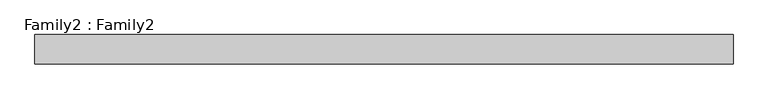
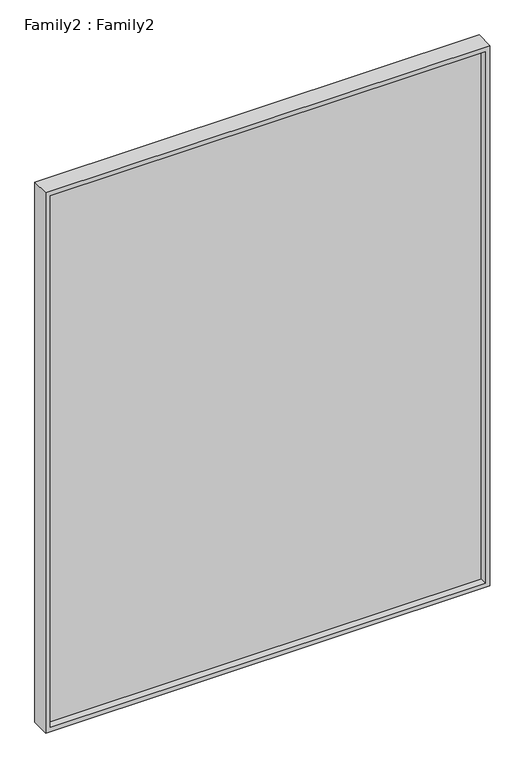
"""IFC4 building model written with IfcOpenShell, lengths in millimetres: plate geometry, Family2 : Family2."""

import ifcopenshell
import ifcopenshell.guid

model = None  # the IFC model being written
_history = None  # IfcOwnerHistory: only IFC2X3 demands one
_inside = {}  # id of a spatial element -> (the spatial element, [elements in it])
_under = {}  # id of a project, library or spatial element -> (it, [spatial elements below it])
_declared = {}  # id of a project -> (the project, [libraries it declares])
_typed = {}  # id of a type object -> (the type object, [elements of that type])
_made_of = {}  # id of a material, layer set ... -> (it, [elements and type objects made of it])


def new_model(schema):
    """Start an empty IFC model of exactly this schema.

    Asked for "IFC4X3", IfcOpenShell would pick the latest addendum, in which some entities
    have other attributes; the version numbers below select the first issue.
    IFC2X3 requires an IfcOwnerHistory on every rooted entity: one is made here for all.
    """
    global model, _history
    if schema == "IFC4X3":
        model = ifcopenshell.file(schema_version=(4, 3, 0, 0))
    else:
        model = ifcopenshell.file(schema=schema)
    _inside.clear()
    _under.clear()
    _declared.clear()
    _typed.clear()
    _made_of.clear()
    _history = None
    if model.schema == "IFC2X3":
        org = make("IfcOrganization", Name="unknown")
        user = make(
            "IfcPersonAndOrganization",
            ThePerson=make("IfcPerson", FamilyName="unknown"),
            TheOrganization=org,
        )
        app = make(
            "IfcApplication",
            ApplicationDeveloper=org,
            Version="unknown",
            ApplicationFullName="unknown",
            ApplicationIdentifier="unknown",
        )
        _history = make(
            "IfcOwnerHistory",
            OwningUser=user,
            OwningApplication=app,
            ChangeAction="ADDED",
            CreationDate=0,
        )
    return model


def make(cls, **values):
    """One entity of the class cls with the attributes given. An attribute that is None is left unset."""
    return model.create_entity(
        cls, **{name: value for name, value in values.items() if value is not None}
    )


def rooted(cls, **values):
    """An entity with a GlobalId (a new one), such as an element, a storey or a relation."""
    return make(cls, GlobalId=ifcopenshell.guid.new(), OwnerHistory=_history, **values)


def si_unit(unit_type, name, prefix=None):
    """IfcSIUnit, for example si_unit("LENGTHUNIT", "METRE", prefix="MILLI")."""
    return make("IfcSIUnit", UnitType=unit_type, Prefix=prefix, Name=name)


def assignment(units):
    """IfcUnitAssignment: the units of a project."""
    return None if units is None else make("IfcUnitAssignment", Units=units)


def point(xyz):
    """IfcCartesianPoint."""
    return None if xyz is None else make("IfcCartesianPoint", Coordinates=xyz)


def direction(xyz):
    """IfcDirection."""
    return None if xyz is None else make("IfcDirection", DirectionRatios=xyz)


def frame(location, z_axis=None, x_axis=None):
    """IfcAxis2Placement3D, a coordinate frame: its origin and axes. An axis left out is left unset."""
    return make(
        "IfcAxis2Placement3D",
        Location=point(location),
        Axis=direction(z_axis),
        RefDirection=direction(x_axis),
    )


def origin():
    """The frame at (0, 0, 0) with its axes left unset."""
    return frame((0.0, 0.0, 0.0))


def place(relative_to, where):
    """IfcLocalPlacement: puts the frame where relative to a parent placement (None: the world)."""
    return make(
        "IfcLocalPlacement", PlacementRelTo=relative_to, RelativePlacement=where
    )


def context(
    kind, dimensions, precision=None, world=None, true_north=None, identifier=None
):
    """IfcGeometricRepresentationContext, for example the 3D "Model" context."""
    return make(
        "IfcGeometricRepresentationContext",
        ContextIdentifier=identifier,
        ContextType=kind,
        CoordinateSpaceDimension=dimensions,
        Precision=precision,
        WorldCoordinateSystem=world,
        TrueNorth=true_north,
    )


def project(units=None, contexts=None):
    """IfcProject with its units and contexts."""
    return rooted(
        "IfcProject",
        Name="project",
        RepresentationContexts=contexts,
        UnitsInContext=assignment(units),
    )


def spatial(cls, under=None, at=None, **own):
    """A site, building, storey or space (cls), placed at a placement, below another one or the project."""
    s = rooted(cls, ObjectPlacement=at, **own)
    if under is not None:
        _under.setdefault(under.id(), (under, []))[1].append(s)
    return s


def polyline(points):
    """IfcPolyline through the points."""
    return make("IfcPolyline", Points=[point(p) for p in points])


def outline(outer, holes=None, kind="AREA"):
    """IfcArbitraryClosedProfileDef: a profile drawn as a closed curve; with holes, ...WithVoids."""
    if holes is None:
        return make("IfcArbitraryClosedProfileDef", ProfileType=kind, OuterCurve=outer)
    return make(
        "IfcArbitraryProfileDefWithVoids",
        ProfileType=kind,
        OuterCurve=outer,
        InnerCurves=holes,
    )


def extrude(swept, where, along, depth):
    """IfcExtrudedAreaSolid: the profile swept, set in the frame where, extruded along a direction by depth."""
    return make(
        "IfcExtrudedAreaSolid",
        SweptArea=swept,
        Position=where,
        ExtrudedDirection=direction(along),
        Depth=depth,
    )


def shape(context_of_items, identifier, shape_type, items):
    """IfcShapeRepresentation: the items that make up one representation, for example the "Body"."""
    return make(
        "IfcShapeRepresentation",
        ContextOfItems=context_of_items,
        RepresentationIdentifier=identifier,
        RepresentationType=shape_type,
        Items=items,
    )


def source(mapping_origin, context_of_items, identifier, shape_type, items):
    """IfcRepresentationMap: a shape defined once, which mapped items show again and again."""
    return make(
        "IfcRepresentationMap",
        MappingOrigin=mapping_origin,
        MappedRepresentation=shape(context_of_items, identifier, shape_type, items),
    )


def transform(
    local_origin,
    x_axis=None,
    y_axis=None,
    z_axis=None,
    scale=None,
    scale2=None,
    scale3=None,
    uniform=True,
):
    """IfcCartesianTransformationOperator3D, or its non-uniform kind. x_axis, y_axis, z_axis: its Axis1, 2, 3."""
    if uniform:
        return make(
            "IfcCartesianTransformationOperator3D",
            Axis1=direction(x_axis),
            Axis2=direction(y_axis),
            LocalOrigin=point(local_origin),
            Scale=scale,
            Axis3=direction(z_axis),
        )
    return make(
        "IfcCartesianTransformationOperator3DnonUniform",
        Axis1=direction(x_axis),
        Axis2=direction(y_axis),
        LocalOrigin=point(local_origin),
        Scale=scale,
        Axis3=direction(z_axis),
        Scale2=scale2,
        Scale3=scale3,
    )


def mapped(mapping_source, mapping_target):
    """IfcMappedItem: shows the shape of a source again, moved by a transform."""
    return make(
        "IfcMappedItem", MappingSource=mapping_source, MappingTarget=mapping_target
    )


def made_of(thing, what):
    """Note that an element or type object is made of a material, layer set ...; save() writes the relation."""
    if what is not None:
        _made_of.setdefault(what.id(), (what, []))[1].append(thing)
    return thing


def element(
    cls,
    number,
    at=None,
    inside=None,
    cuts=None,
    type_object=None,
    material=None,
    context=None,
    identifier="Body",
    shape_type=None,
    held_by="IfcProductDefinitionShape",
    body=None,
    shapes=None,
    **own,
):
    """One element of the class cls, such as IfcWall. Its Tag is "e" and its number.

    at: its placement. inside: the storey or other place that contains it. cuts: it is an
    opening in that element (IfcRelVoidsElement). A single representation is given by context,
    identifier, shape_type and body (its items); several are given by shapes. held_by: the class
    of the entity that holds the representations. save() writes the other relations.
    """
    e = rooted(cls, Tag="e%d" % number, ObjectPlacement=at, **own)
    if body is not None:
        shapes = [shape(context, identifier, shape_type, body)]
    if shapes is not None:
        e.Representation = make(held_by, Representations=shapes)
    if inside is not None:
        _inside.setdefault(inside.id(), (inside, []))[1].append(e)
    if cuts is not None:
        rooted(
            "IfcRelVoidsElement", RelatingBuildingElement=cuts, RelatedOpeningElement=e
        )
    if type_object is not None:
        _typed.setdefault(type_object.id(), (type_object, []))[1].append(e)
    return made_of(e, material)


def aggregate(whole, parts):
    """IfcRelAggregates: a whole, such as a stair, and the parts it consists of."""
    return rooted("IfcRelAggregates", RelatingObject=whole, RelatedObjects=parts)


def save(model, path):
    """Write the relations noted so far, then the file.

    IfcRelAggregates (storeys below a building ...), IfcRelContainedInSpatialStructure (elements
    in a storey), IfcRelDefinesByType, IfcRelAssociatesMaterial and IfcRelDeclares: one each for
    every whole, place, type object, material and project.
    """
    for whole, parts in _under.values():
        aggregate(whole, parts)
    for where, things in _inside.values():
        rooted(
            "IfcRelContainedInSpatialStructure",
            RelatedElements=things,
            RelatingStructure=where,
        )
    for kind, things in _typed.values():
        rooted("IfcRelDefinesByType", RelatedObjects=things, RelatingType=kind)
    for what, things in _made_of.values():
        rooted("IfcRelAssociatesMaterial", RelatedObjects=things, RelatingMaterial=what)
    for by, libraries in _declared.values():
        rooted("IfcRelDeclares", RelatingContext=by, RelatedDefinitions=libraries)
    model.write(path)


def family2_family2_9ba80cfb(model_context):
    return source(origin(), model_context, "Body", "SweptSolid", [
        extrude(outline(polyline([(2450.0, -952.5), (0.0, -952.5), (0.0, 952.5), (2450.0, 952.5), (2450.0, -952.5)]), holes=[polyline([(20.0, -932.5), (2430.0, -932.5), (2430.0, 932.5), (20.0, 932.5), (20.0, -932.5)])]), frame((0.0, -40.0, 0.0), z_axis=(0.0, 1.0, 0.0), x_axis=(0.0, 0.0, 1.0)), (0.0, 0.0, 1.0), 80.0),
        extrude(outline(polyline([(932.5, -10.0), (-932.5, -10.0), (-932.5, 10.0), (932.5, 10.0), (932.5, -10.0)])), frame((0.0, 0.0, 20.0), z_axis=(0.0, 0.0, 1.0), x_axis=(1.0, 0.0, 0.0)), (0.0, 0.0, 1.0), 2410.0),
    ])


if __name__ == "__main__":
    model = new_model("IFC4")
    model_context = context("Model", 3, world=origin())
    ifc_project = project(units=[si_unit("LENGTHUNIT", "METRE", prefix="MILLI")], contexts=[model_context])
    site = spatial("IfcSite", under=ifc_project)
    building = spatial("IfcBuilding", under=site)
    placement = place(None, origin())
    family2_family2_shape = family2_family2_9ba80cfb(model_context)
    element("IfcPlate", 1, ObjectType="Family2 : Family2", at=placement, inside=building, context=model_context, shape_type="MappedRepresentation", body=[
        mapped(family2_family2_shape, transform((0.0, 0.0, 0.0), x_axis=(1.0, 0.0, 0.0), y_axis=(0.0, 1.0, 0.0), z_axis=(0.0, 0.0, 1.0))),
    ])
    save(model, "model.ifc")
